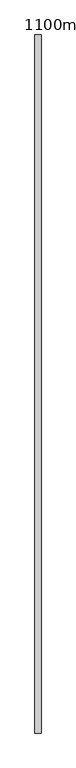
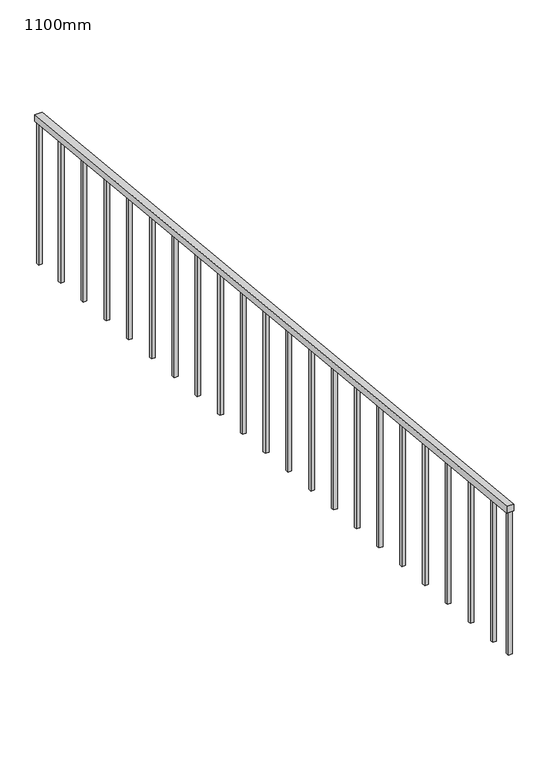
"""IFC4 building model written with IfcOpenShell, lengths in millimetres: railing geometry, 1100mm."""

import ifcopenshell
import ifcopenshell.guid

model = None  # the IFC model being written
_history = None  # IfcOwnerHistory: only IFC2X3 demands one
_inside = {}  # id of a spatial element -> (the spatial element, [elements in it])
_under = {}  # id of a project, library or spatial element -> (it, [spatial elements below it])
_declared = {}  # id of a project -> (the project, [libraries it declares])
_typed = {}  # id of a type object -> (the type object, [elements of that type])
_made_of = {}  # id of a material, layer set ... -> (it, [elements and type objects made of it])


def new_model(schema):
    """Start an empty IFC model of exactly this schema.

    Asked for "IFC4X3", IfcOpenShell would pick the latest addendum, in which some entities
    have other attributes; the version numbers below select the first issue.
    IFC2X3 requires an IfcOwnerHistory on every rooted entity: one is made here for all.
    """
    global model, _history
    if schema == "IFC4X3":
        model = ifcopenshell.file(schema_version=(4, 3, 0, 0))
    else:
        model = ifcopenshell.file(schema=schema)
    _inside.clear()
    _under.clear()
    _declared.clear()
    _typed.clear()
    _made_of.clear()
    _history = None
    if model.schema == "IFC2X3":
        org = make("IfcOrganization", Name="unknown")
        user = make(
            "IfcPersonAndOrganization",
            ThePerson=make("IfcPerson", FamilyName="unknown"),
            TheOrganization=org,
        )
        app = make(
            "IfcApplication",
            ApplicationDeveloper=org,
            Version="unknown",
            ApplicationFullName="unknown",
            ApplicationIdentifier="unknown",
        )
        _history = make(
            "IfcOwnerHistory",
            OwningUser=user,
            OwningApplication=app,
            ChangeAction="ADDED",
            CreationDate=0,
        )
    return model


def make(cls, **values):
    """One entity of the class cls with the attributes given. An attribute that is None is left unset."""
    return model.create_entity(
        cls, **{name: value for name, value in values.items() if value is not None}
    )


def rooted(cls, **values):
    """An entity with a GlobalId (a new one), such as an element, a storey or a relation."""
    return make(cls, GlobalId=ifcopenshell.guid.new(), OwnerHistory=_history, **values)


def si_unit(unit_type, name, prefix=None):
    """IfcSIUnit, for example si_unit("LENGTHUNIT", "METRE", prefix="MILLI")."""
    return make("IfcSIUnit", UnitType=unit_type, Prefix=prefix, Name=name)


def assignment(units):
    """IfcUnitAssignment: the units of a project."""
    return None if units is None else make("IfcUnitAssignment", Units=units)


def point(xyz):
    """IfcCartesianPoint."""
    return None if xyz is None else make("IfcCartesianPoint", Coordinates=xyz)


def direction(xyz):
    """IfcDirection."""
    return None if xyz is None else make("IfcDirection", DirectionRatios=xyz)


def frame(location, z_axis=None, x_axis=None):
    """IfcAxis2Placement3D, a coordinate frame: its origin and axes. An axis left out is left unset."""
    return make(
        "IfcAxis2Placement3D",
        Location=point(location),
        Axis=direction(z_axis),
        RefDirection=direction(x_axis),
    )


def origin():
    """The frame at (0, 0, 0) with its axes left unset."""
    return frame((0.0, 0.0, 0.0))


def place(relative_to, where):
    """IfcLocalPlacement: puts the frame where relative to a parent placement (None: the world)."""
    return make(
        "IfcLocalPlacement", PlacementRelTo=relative_to, RelativePlacement=where
    )


def context(
    kind, dimensions, precision=None, world=None, true_north=None, identifier=None
):
    """IfcGeometricRepresentationContext, for example the 3D "Model" context."""
    return make(
        "IfcGeometricRepresentationContext",
        ContextIdentifier=identifier,
        ContextType=kind,
        CoordinateSpaceDimension=dimensions,
        Precision=precision,
        WorldCoordinateSystem=world,
        TrueNorth=true_north,
    )


def project(units=None, contexts=None):
    """IfcProject with its units and contexts."""
    return rooted(
        "IfcProject",
        Name="project",
        RepresentationContexts=contexts,
        UnitsInContext=assignment(units),
    )


def spatial(cls, under=None, at=None, **own):
    """A site, building, storey or space (cls), placed at a placement, below another one or the project."""
    s = rooted(cls, ObjectPlacement=at, **own)
    if under is not None:
        _under.setdefault(under.id(), (under, []))[1].append(s)
    return s


def polyline(points):
    """IfcPolyline through the points."""
    return make("IfcPolyline", Points=[point(p) for p in points])


def outline(outer, holes=None, kind="AREA"):
    """IfcArbitraryClosedProfileDef: a profile drawn as a closed curve; with holes, ...WithVoids."""
    if holes is None:
        return make("IfcArbitraryClosedProfileDef", ProfileType=kind, OuterCurve=outer)
    return make(
        "IfcArbitraryProfileDefWithVoids",
        ProfileType=kind,
        OuterCurve=outer,
        InnerCurves=holes,
    )


def extrude(swept, where, along, depth):
    """IfcExtrudedAreaSolid: the profile swept, set in the frame where, extruded along a direction by depth."""
    return make(
        "IfcExtrudedAreaSolid",
        SweptArea=swept,
        Position=where,
        ExtrudedDirection=direction(along),
        Depth=depth,
    )


def shape(context_of_items, identifier, shape_type, items):
    """IfcShapeRepresentation: the items that make up one representation, for example the "Body"."""
    return make(
        "IfcShapeRepresentation",
        ContextOfItems=context_of_items,
        RepresentationIdentifier=identifier,
        RepresentationType=shape_type,
        Items=items,
    )


def source(mapping_origin, context_of_items, identifier, shape_type, items):
    """IfcRepresentationMap: a shape defined once, which mapped items show again and again."""
    return make(
        "IfcRepresentationMap",
        MappingOrigin=mapping_origin,
        MappedRepresentation=shape(context_of_items, identifier, shape_type, items),
    )


def transform(
    local_origin,
    x_axis=None,
    y_axis=None,
    z_axis=None,
    scale=None,
    scale2=None,
    scale3=None,
    uniform=True,
):
    """IfcCartesianTransformationOperator3D, or its non-uniform kind. x_axis, y_axis, z_axis: its Axis1, 2, 3."""
    if uniform:
        return make(
            "IfcCartesianTransformationOperator3D",
            Axis1=direction(x_axis),
            Axis2=direction(y_axis),
            LocalOrigin=point(local_origin),
            Scale=scale,
            Axis3=direction(z_axis),
        )
    return make(
        "IfcCartesianTransformationOperator3DnonUniform",
        Axis1=direction(x_axis),
        Axis2=direction(y_axis),
        LocalOrigin=point(local_origin),
        Scale=scale,
        Axis3=direction(z_axis),
        Scale2=scale2,
        Scale3=scale3,
    )


def mapped(mapping_source, mapping_target):
    """IfcMappedItem: shows the shape of a source again, moved by a transform."""
    return make(
        "IfcMappedItem", MappingSource=mapping_source, MappingTarget=mapping_target
    )


def made_of(thing, what):
    """Note that an element or type object is made of a material, layer set ...; save() writes the relation."""
    if what is not None:
        _made_of.setdefault(what.id(), (what, []))[1].append(thing)
    return thing


def element(
    cls,
    number,
    at=None,
    inside=None,
    cuts=None,
    type_object=None,
    material=None,
    context=None,
    identifier="Body",
    shape_type=None,
    held_by="IfcProductDefinitionShape",
    body=None,
    shapes=None,
    **own,
):
    """One element of the class cls, such as IfcWall. Its Tag is "e" and its number.

    at: its placement. inside: the storey or other place that contains it. cuts: it is an
    opening in that element (IfcRelVoidsElement). A single representation is given by context,
    identifier, shape_type and body (its items); several are given by shapes. held_by: the class
    of the entity that holds the representations. save() writes the other relations.
    """
    e = rooted(cls, Tag="e%d" % number, ObjectPlacement=at, **own)
    if body is not None:
        shapes = [shape(context, identifier, shape_type, body)]
    if shapes is not None:
        e.Representation = make(held_by, Representations=shapes)
    if inside is not None:
        _inside.setdefault(inside.id(), (inside, []))[1].append(e)
    if cuts is not None:
        rooted(
            "IfcRelVoidsElement", RelatingBuildingElement=cuts, RelatedOpeningElement=e
        )
    if type_object is not None:
        _typed.setdefault(type_object.id(), (type_object, []))[1].append(e)
    return made_of(e, material)


def aggregate(whole, parts):
    """IfcRelAggregates: a whole, such as a stair, and the parts it consists of."""
    return rooted("IfcRelAggregates", RelatingObject=whole, RelatedObjects=parts)


def save(model, path):
    """Write the relations noted so far, then the file.

    IfcRelAggregates (storeys below a building ...), IfcRelContainedInSpatialStructure (elements
    in a storey), IfcRelDefinesByType, IfcRelAssociatesMaterial and IfcRelDeclares: one each for
    every whole, place, type object, material and project.
    """
    for whole, parts in _under.values():
        aggregate(whole, parts)
    for where, things in _inside.values():
        rooted(
            "IfcRelContainedInSpatialStructure",
            RelatedElements=things,
            RelatingStructure=where,
        )
    for kind, things in _typed.values():
        rooted("IfcRelDefinesByType", RelatedObjects=things, RelatingType=kind)
    for what, things in _made_of.values():
        rooted("IfcRelAssociatesMaterial", RelatedObjects=things, RelatingMaterial=what)
    for by, libraries in _declared.values():
        rooted("IfcRelDeclares", RelatingContext=by, RelatedDefinitions=libraries)
    model.write(path)


def railing_1100mm_f59a7fcf(model_context):
    return source(origin(), model_context, "Body", "SweptSolid", [
        extrude(outline(polyline([(-101823.1605573, 1100.0), (-101823.1605573, 1049.7506219), (-107523.1605573, 1619.7506219), (-107523.1605573, 1670.0), (-101823.1605573, 1100.0)])), frame((-308970.1057122, 0.0, 0.0), z_axis=(1.0, 0.0, 0.0), x_axis=(0.0, 1.0, 0.0)), (0.0, 0.0, 1.0), 50.0),
        extrude(outline(polyline([(-107310.6605573, 1598.5006219), (-107310.6605573, 548.75), (-107335.6605573, 551.25), (-107335.6605573, 1601.0006219), (-107310.6605573, 1598.5006219)])), frame((-308957.6057122, 0.0, 0.0), z_axis=(1.0, 0.0, 0.0), x_axis=(0.0, 1.0, 0.0)), (0.0, 0.0, 1.0), 25.0),
        extrude(outline(polyline([(-107035.6605573, 1571.0006219), (-107035.6605573, 521.25), (-107060.6605573, 523.75), (-107060.6605573, 1573.5006219), (-107035.6605573, 1571.0006219)])), frame((-308957.6057122, 0.0, 0.0), z_axis=(1.0, 0.0, 0.0), x_axis=(0.0, 1.0, 0.0)), (0.0, 0.0, 1.0), 25.0),
        extrude(outline(polyline([(-106760.6605573, 1543.5006219), (-106760.6605573, 493.75), (-106785.6605573, 496.25), (-106785.6605573, 1546.0006219), (-106760.6605573, 1543.5006219)])), frame((-308957.6057122, 0.0, 0.0), z_axis=(1.0, 0.0, 0.0), x_axis=(0.0, 1.0, 0.0)), (0.0, 0.0, 1.0), 25.0),
        extrude(outline(polyline([(-106485.6605573, 1516.0006219), (-106485.6605573, 466.25), (-106510.6605573, 468.75), (-106510.6605573, 1518.5006219), (-106485.6605573, 1516.0006219)])), frame((-308957.6057122, 0.0, 0.0), z_axis=(1.0, 0.0, 0.0), x_axis=(0.0, 1.0, 0.0)), (0.0, 0.0, 1.0), 25.0),
        extrude(outline(polyline([(-106210.6605573, 1488.5006219), (-106210.6605573, 438.75), (-106235.6605573, 441.25), (-106235.6605573, 1491.0006219), (-106210.6605573, 1488.5006219)])), frame((-308957.6057122, 0.0, 0.0), z_axis=(1.0, 0.0, 0.0), x_axis=(0.0, 1.0, 0.0)), (0.0, 0.0, 1.0), 25.0),
        extrude(outline(polyline([(-105935.6605573, 1461.0006219), (-105935.6605573, 411.25), (-105960.6605573, 413.75), (-105960.6605573, 1463.5006219), (-105935.6605573, 1461.0006219)])), frame((-308957.6057122, 0.0, 0.0), z_axis=(1.0, 0.0, 0.0), x_axis=(0.0, 1.0, 0.0)), (0.0, 0.0, 1.0), 25.0),
        extrude(outline(polyline([(-105660.6605573, 1433.5006219), (-105660.6605573, 383.75), (-105685.6605573, 386.25), (-105685.6605573, 1436.0006219), (-105660.6605573, 1433.5006219)])), frame((-308957.6057122, 0.0, 0.0), z_axis=(1.0, 0.0, 0.0), x_axis=(0.0, 1.0, 0.0)), (0.0, 0.0, 1.0), 25.0),
        extrude(outline(polyline([(-105385.6605573, 1406.0006219), (-105385.6605573, 356.25), (-105410.6605573, 358.75), (-105410.6605573, 1408.5006219), (-105385.6605573, 1406.0006219)])), frame((-308957.6057122, 0.0, 0.0), z_axis=(1.0, 0.0, 0.0), x_axis=(0.0, 1.0, 0.0)), (0.0, 0.0, 1.0), 25.0),
        extrude(outline(polyline([(-105110.6605573, 1378.5006219), (-105110.6605573, 328.75), (-105135.6605573, 331.25), (-105135.6605573, 1381.0006219), (-105110.6605573, 1378.5006219)])), frame((-308957.6057122, 0.0, 0.0), z_axis=(1.0, 0.0, 0.0), x_axis=(0.0, 1.0, 0.0)), (0.0, 0.0, 1.0), 25.0),
        extrude(outline(polyline([(-104835.6605573, 1351.0006219), (-104835.6605573, 301.25), (-104860.6605573, 303.75), (-104860.6605573, 1353.5006219), (-104835.6605573, 1351.0006219)])), frame((-308957.6057122, 0.0, 0.0), z_axis=(1.0, 0.0, 0.0), x_axis=(0.0, 1.0, 0.0)), (0.0, 0.0, 1.0), 25.0),
        extrude(outline(polyline([(-104560.6605573, 1323.5006219), (-104560.6605573, 273.75), (-104585.6605573, 276.25), (-104585.6605573, 1326.0006219), (-104560.6605573, 1323.5006219)])), frame((-308957.6057122, 0.0, 0.0), z_axis=(1.0, 0.0, 0.0), x_axis=(0.0, 1.0, 0.0)), (0.0, 0.0, 1.0), 25.0),
        extrude(outline(polyline([(-104285.6605573, 1296.0006219), (-104285.6605573, 246.25), (-104310.6605573, 248.75), (-104310.6605573, 1298.5006219), (-104285.6605573, 1296.0006219)])), frame((-308957.6057122, 0.0, 0.0), z_axis=(1.0, 0.0, 0.0), x_axis=(0.0, 1.0, 0.0)), (0.0, 0.0, 1.0), 25.0),
        extrude(outline(polyline([(-104010.6605573, 1268.5006219), (-104010.6605573, 218.75), (-104035.6605573, 221.25), (-104035.6605573, 1271.0006219), (-104010.6605573, 1268.5006219)])), frame((-308957.6057122, 0.0, 0.0), z_axis=(1.0, 0.0, 0.0), x_axis=(0.0, 1.0, 0.0)), (0.0, 0.0, 1.0), 25.0),
        extrude(outline(polyline([(-103735.6605573, 1241.0006219), (-103735.6605573, 191.25), (-103760.6605573, 193.75), (-103760.6605573, 1243.5006219), (-103735.6605573, 1241.0006219)])), frame((-308957.6057122, 0.0, 0.0), z_axis=(1.0, 0.0, 0.0), x_axis=(0.0, 1.0, 0.0)), (0.0, 0.0, 1.0), 25.0),
        extrude(outline(polyline([(-103460.6605573, 1213.5006219), (-103460.6605573, 163.75), (-103485.6605573, 166.25), (-103485.6605573, 1216.0006219), (-103460.6605573, 1213.5006219)])), frame((-308957.6057122, 0.0, 0.0), z_axis=(1.0, 0.0, 0.0), x_axis=(0.0, 1.0, 0.0)), (0.0, 0.0, 1.0), 25.0),
        extrude(outline(polyline([(-103185.6605573, 1186.0006219), (-103185.6605573, 136.25), (-103210.6605573, 138.75), (-103210.6605573, 1188.5006219), (-103185.6605573, 1186.0006219)])), frame((-308957.6057122, 0.0, 0.0), z_axis=(1.0, 0.0, 0.0), x_axis=(0.0, 1.0, 0.0)), (0.0, 0.0, 1.0), 25.0),
        extrude(outline(polyline([(-102910.6605573, 1158.5006219), (-102910.6605573, 108.75), (-102935.6605573, 111.25), (-102935.6605573, 1161.0006219), (-102910.6605573, 1158.5006219)])), frame((-308957.6057122, 0.0, 0.0), z_axis=(1.0, 0.0, 0.0), x_axis=(0.0, 1.0, 0.0)), (0.0, 0.0, 1.0), 25.0),
        extrude(outline(polyline([(-102635.6605573, 1131.0006219), (-102635.6605573, 81.25), (-102660.6605573, 83.75), (-102660.6605573, 1133.5006219), (-102635.6605573, 1131.0006219)])), frame((-308957.6057122, 0.0, 0.0), z_axis=(1.0, 0.0, 0.0), x_axis=(0.0, 1.0, 0.0)), (0.0, 0.0, 1.0), 25.0),
        extrude(outline(polyline([(-102360.6605573, 1103.5006219), (-102360.6605573, 53.75), (-102385.6605573, 56.25), (-102385.6605573, 1106.0006219), (-102360.6605573, 1103.5006219)])), frame((-308957.6057122, 0.0, 0.0), z_axis=(1.0, 0.0, 0.0), x_axis=(0.0, 1.0, 0.0)), (0.0, 0.0, 1.0), 25.0),
        extrude(outline(polyline([(-102085.6605573, 1076.0006219), (-102085.6605573, 26.25), (-102110.6605573, 28.75), (-102110.6605573, 1078.5006219), (-102085.6605573, 1076.0006219)])), frame((-308957.6057122, 0.0, 0.0), z_axis=(1.0, 0.0, 0.0), x_axis=(0.0, 1.0, 0.0)), (0.0, 0.0, 1.0), 25.0),
        extrude(outline(polyline([(-107498.1605573, 1617.2506219), (-107498.1605573, 567.5), (-107523.1605573, 570.0), (-107523.1605573, 1619.7506219), (-107498.1605573, 1617.2506219)])), frame((-308957.6057122, 0.0, 0.0), z_axis=(1.0, 0.0, 0.0), x_axis=(0.0, 1.0, 0.0)), (0.0, 0.0, 1.0), 25.0),
        extrude(outline(polyline([(-101823.1605573, 1049.7506219), (-101823.1605573, 0.0), (-101848.1605573, 2.5), (-101848.1605573, 1052.2506219), (-101823.1605573, 1049.7506219)])), frame((-308957.6057122, 0.0, 0.0), z_axis=(1.0, 0.0, 0.0), x_axis=(0.0, 1.0, 0.0)), (0.0, 0.0, 1.0), 25.0),
    ])


if __name__ == "__main__":
    model = new_model("IFC4")
    model_context = context("Model", 3, world=origin())
    ifc_project = project(units=[si_unit("LENGTHUNIT", "METRE", prefix="MILLI")], contexts=[model_context])
    site = spatial("IfcSite", under=ifc_project)
    building = spatial("IfcBuilding", under=site)
    placement = place(None, origin())
    railing_1100mm_shape = railing_1100mm_f59a7fcf(model_context)
    element("IfcRailing", 1, ObjectType="1100mm", at=placement, inside=building, context=model_context, shape_type="MappedRepresentation", body=[
        mapped(railing_1100mm_shape, transform((0.0, 0.0, 0.0), x_axis=(1.0, 0.0, 0.0), y_axis=(0.0, 1.0, 0.0), z_axis=(0.0, 0.0, 1.0))),
    ])
    save(model, "model.ifc")
